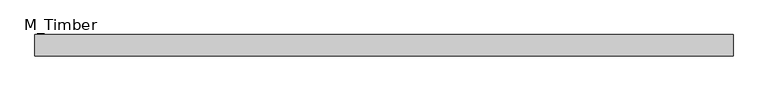
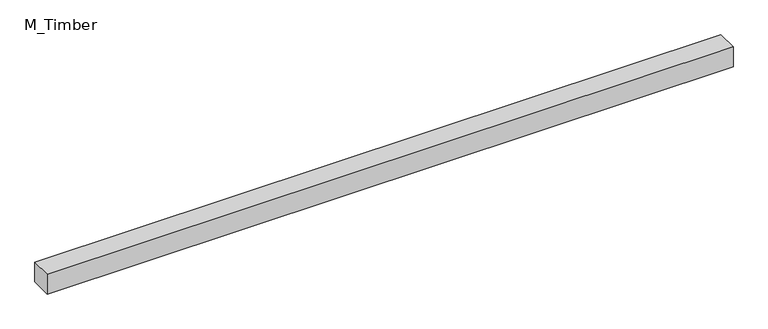
"""IFC4 building model written with IfcOpenShell, lengths in millimetres: beam geometry, M_Timber."""

from ifc_helpers import new_model, si_unit, frame, origin, place, context, project, spatial, polyline, outline, extrude, source, transform, mapped, element, save


def m_timber_103bda51(model_context):
    return source(origin(), model_context, "Body", "SweptSolid", [
        extrude(outline(polyline([(652.2901708, 20.0), (652.2901708, -20.0), (-652.2901708, -20.0), (-652.2901708, 20.0), (652.2901708, 20.0)])), frame((0.0, 0.0, -20.0), z_axis=(0.0, 0.0, 1.0), x_axis=(1.0, 0.0, 0.0)), (0.0, 0.0, 1.0), 40.0),
    ])


if __name__ == "__main__":
    model = new_model("IFC4")
    model_context = context("Model", 3, world=origin())
    ifc_project = project(units=[si_unit("LENGTHUNIT", "METRE", prefix="MILLI")], contexts=[model_context])
    site = spatial("IfcSite", under=ifc_project)
    building = spatial("IfcBuilding", under=site)
    placement = place(None, origin())
    m_timber_shape = m_timber_103bda51(model_context)
    element("IfcBeam", 1, ObjectType="M_Timber", at=placement, inside=building, context=model_context, shape_type="MappedRepresentation", body=[
        mapped(m_timber_shape, transform((0.0, 0.0, 0.0), x_axis=(1.0, 0.0, 0.0), y_axis=(0.0, 1.0, 0.0), z_axis=(0.0, 0.0, 1.0))),
    ])
    save(model, "model.ifc")
